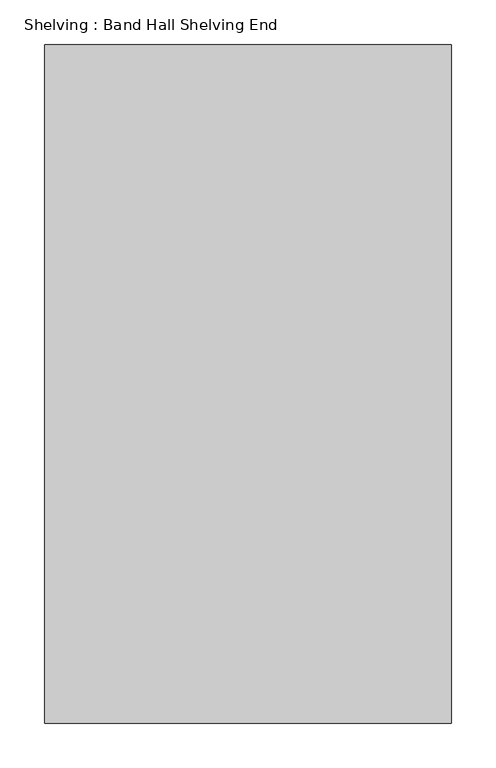
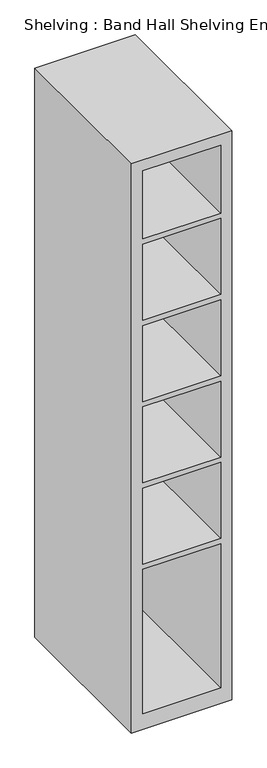
"""IFC4 building model written with IfcOpenShell, lengths in millimetres: furniture geometry, Shelving : Band Hall Shelving End."""

from ifc_helpers import new_model, si_unit, frame, origin, place, context, project, spatial, polyline, outline, extrude, source, transform, mapped, element, save


def shelving_band_hall_shelving_end_0ffcd887(model_context):
    return source(origin(), model_context, "Body", "SweptSolid", [
        extrude(outline(polyline([(0.0, 228.6), (2743.2, 228.6), (2743.2, -228.6), (0.0, -228.6), (0.0, 228.6)]), holes=[polyline([(2692.4, 177.8), (2364.0142857, 177.8), (2364.0142857, -177.8), (2692.4, -177.8), (2692.4, 177.8)]), polyline([(76.2, 177.8), (76.2, -177.8), (771.0714286, -177.8), (771.0714286, 177.8), (76.2, 177.8)]), polyline([(1580.2428571, -177.8), (1946.7285714, -177.8), (1946.7285714, 177.8), (1580.2428571, 177.8), (1580.2428571, -177.8)]), polyline([(2338.6142857, 177.8), (1972.1285714, 177.8), (1972.1285714, -177.8), (2338.6142857, -177.8), (2338.6142857, 177.8)]), polyline([(1554.8428571, 177.8), (1188.3571429, 177.8), (1188.3571429, -177.8), (1554.8428571, -177.8), (1554.8428571, 177.8)]), polyline([(1162.9571429, 177.8), (796.4714286, 177.8), (796.4714286, -177.8), (1162.9571429, -177.8), (1162.9571429, 177.8)])]), frame((0.0, -685.8, 0.0), z_axis=(0.0, 1.0, 0.0), x_axis=(0.0, 0.0, 1.0)), (0.0, 0.0, 1.0), 762.0),
    ])


if __name__ == "__main__":
    model = new_model("IFC4")
    model_context = context("Model", 3, world=origin())
    ifc_project = project(units=[si_unit("LENGTHUNIT", "METRE", prefix="MILLI")], contexts=[model_context])
    site = spatial("IfcSite", under=ifc_project)
    building = spatial("IfcBuilding", under=site)
    placement = place(None, origin())
    shelving_band_hall_shelving_end_shape = shelving_band_hall_shelving_end_0ffcd887(model_context)
    element("IfcFurniture", 1, ObjectType="Shelving : Band Hall Shelving End", at=placement, inside=building, context=model_context, shape_type="MappedRepresentation", body=[
        mapped(shelving_band_hall_shelving_end_shape, transform((0.0, 0.0, 0.0), x_axis=(1.0, 0.0, 0.0), y_axis=(0.0, 1.0, 0.0), z_axis=(0.0, 0.0, 1.0))),
    ])
    save(model, "model.ifc")
